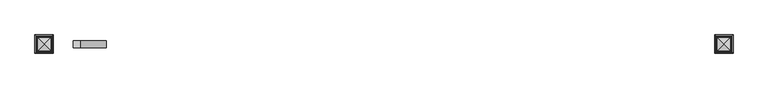
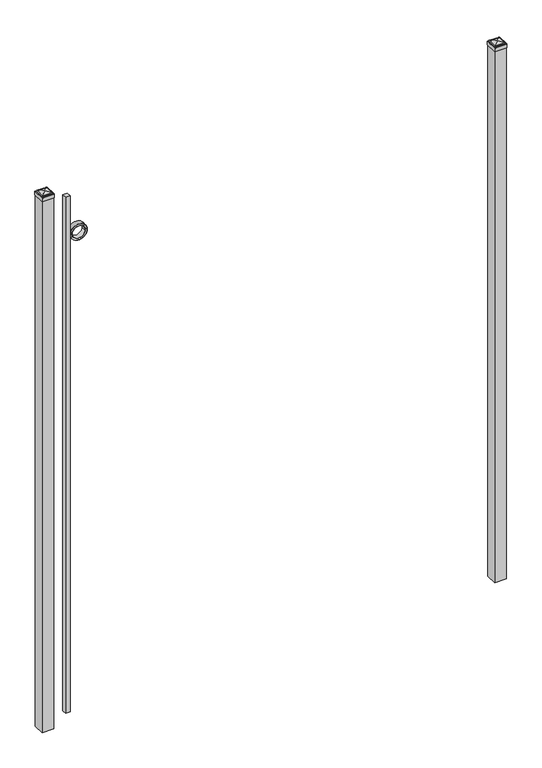
"""IFC4 building model written with IfcOpenShell, lengths in millimetres: railing geometry."""

from ifc_helpers import new_model, si_unit, point, frame, frame_2d, origin, origin_with_axes, place, context, project, spatial, polyline, circle_curve, ellipse_curve, trimmed, segment, composite_curve, outline, extrude, source, transform, mapped, element, save
from ifc_brep_helpers import plane_surface, cylinder_surface, advanced_brep


def railing_e635cd12(model_context):
    return source(origin(), model_context, "Body", "SolidModel", [
        extrude(outline(polyline([(-23766.6899936, 4285.619541), (-23741.2899936, 4285.619541), (-23741.2899936, 4260.219541), (-23766.6899936, 4260.219541), (-23766.6899936, 4285.619541)])), frame((0.0, 0.0, 50.8), z_axis=(0.0, 0.0, 1.0), x_axis=(1.0, 0.0, 0.0)), (0.0, 0.0, 1.0), 2937.6579232),
        extrude(outline(composite_curve([segment(trimmed(circle_curve(frame_2d((2766.1853669, -23695.1942595)), 45.6988591), [point((2766.1853669, -23649.4954004))], [point((2766.1853669, -23740.8931186))], False, "CARTESIAN"), True, "CONTINUOUS"), segment(trimmed(circle_curve(frame_2d((2766.1853669, -23695.1942595)), 45.6988591), [point((2766.1853669, -23740.8931186))], [point((2766.1853669, -23649.4954004))], False, "CARTESIAN"), True, "CONTINUOUS")], self_intersect=False), holes=[composite_curve([segment(trimmed(circle_curve(frame_2d((2766.1853669, -23695.1942595)), 44.101539), [point((2766.1853669, -23651.0927205))], [point((2766.1853669, -23739.2957985))], True, "CARTESIAN"), True, "CONTINUOUS"), segment(trimmed(circle_curve(frame_2d((2766.1853669, -23695.1942595)), 44.101539), [point((2766.1853669, -23739.2957985))], [point((2766.1853669, -23651.0927205))], True, "CARTESIAN"), True, "CONTINUOUS")], self_intersect=False)]), frame((0.0, 4260.219541, 0.0), z_axis=(0.0, 1.0, 0.0), x_axis=(0.0, 0.0, 1.0)), (0.0, 0.0, 1.0), 25.4),
        extrude(outline(composite_curve([segment(trimmed(circle_curve(frame_2d((2766.1853669, -23695.1942595)), 34.6370762), [point((2766.1853669, -23660.5571833))], [point((2766.1853669, -23729.8313357))], False, "CARTESIAN"), True, "CONTINUOUS"), segment(trimmed(circle_curve(frame_2d((2766.1853669, -23695.1942595)), 34.6370762), [point((2766.1853669, -23729.8313357))], [point((2766.1853669, -23660.5571833))], False, "CARTESIAN"), True, "CONTINUOUS")], self_intersect=False), holes=[composite_curve([segment(trimmed(circle_curve(frame_2d((2766.1853669, -23695.1942595)), 33.0443887), [point((2766.1853669, -23662.1498708))], [point((2766.1853669, -23728.2386482))], True, "CARTESIAN"), True, "CONTINUOUS"), segment(trimmed(circle_curve(frame_2d((2766.1853669, -23695.1942595)), 33.0443887), [point((2766.1853669, -23728.2386482))], [point((2766.1853669, -23662.1498708))], True, "CARTESIAN"), True, "CONTINUOUS")], self_intersect=False)]), frame((0.0, 4260.219541, 0.0), z_axis=(0.0, 1.0, 0.0), x_axis=(0.0, 0.0, 1.0)), (0.0, 0.0, 1.0), 25.4),
        extrude(outline(polyline([(-21401.3149936, 4304.669541), (-21401.3149936, 4241.169541), (-21464.8149936, 4241.169541), (-21464.8149936, 4304.669541), (-21401.3149936, 4304.669541)])), origin_with_axes(), (0.0, 0.0, 1.0), 3024.1875),
        advanced_brep(
        [(-21466.4024936, 4306.257041, 3042.44375), (-21466.4024936, 4306.257041, 3024.1875), (-21466.4024936, 4239.582041, 3024.1875), (-21466.4024936, 4239.582041, 3042.44375), (-21464.0212436, 4303.875791, 3044.825), (-21464.0212436, 4241.963291, 3044.825), (-21461.6399936, 4301.494541, 3047.20625), (-21461.6399936, 4301.494541, 3044.825), (-21461.6399936, 4244.344541, 3044.825), (-21461.6399936, 4244.344541, 3047.20625), (-21459.2587436, 4299.113291, 3049.5875), (-21459.2587436, 4246.725791, 3049.5875), (-21433.0649936, 4272.919541, 3055.9375), (-21456.8774936, 4296.732041, 3049.5875), (-21456.8774936, 4249.107041, 3049.5875), (-21399.7274936, 4239.582041, 3024.1875), (-21399.7274936, 4239.582041, 3042.44375), (-21402.1087436, 4241.963291, 3044.825), (-21404.4899936, 4244.344541, 3044.825), (-21404.4899936, 4244.344541, 3047.20625), (-21406.8712436, 4246.725791, 3049.5875), (-21409.2524936, 4249.107041, 3049.5875), (-21399.7274936, 4306.257041, 3024.1875), (-21399.7274936, 4306.257041, 3042.44375), (-21402.1087436, 4303.875791, 3044.825), (-21404.4899936, 4301.494541, 3044.825), (-21404.4899936, 4301.494541, 3047.20625), (-21406.8712436, 4299.113291, 3049.5875), (-21409.2524936, 4296.732041, 3049.5875)],
        [
            (0, 1),
            (1, 2),
            (2, 3),
            (3, 0),
            (4, 0, ellipse_curve(frame((-21464.0212436, 4303.875791, 3042.44375), z_axis=(-0.70710678118655, -0.7071067811865449, 0.0), x_axis=(-0.7071067811865448, 0.7071067811865501, 0.0)), 3.367596, 2.38125)),
            (3, 5, ellipse_curve(frame((-21464.0212436, 4241.963291, 3042.44375), z_axis=(-0.7071067811865449, 0.70710678118655, 0.0), x_axis=(0.7071067811865499, 0.707106781186545, 0.0)), 3.367596, 2.38125)),
            (5, 4),
            (6, 7),
            (7, 8),
            (8, 9),
            (9, 6),
            (10, 6, ellipse_curve(frame((-21459.2587436, 4299.113291, 3047.20625), z_axis=(-0.70710678118655, -0.7071067811865449, 0.0), x_axis=(-0.7071067811865448, 0.7071067811865501, 0.0)), 3.367596, 2.38125)),
            (9, 11, ellipse_curve(frame((-21459.2587436, 4246.725791, 3047.20625), z_axis=(-0.7071067811865449, 0.70710678118655, 0.0), x_axis=(0.7071067811865499, 0.707106781186545, 0.0)), 3.367596, 2.38125)),
            (11, 10),
            (12, 13, ellipse_curve(frame((-21433.0649936, 4272.919541, 3008.1140625), z_axis=(-0.70710678118655, -0.7071067811865449, 0.0), x_axis=(-0.7071067811865448, 0.7071067811865501, 0.0)), 67.6325539, 47.8234375)),
            (13, 14),
            (14, 12, ellipse_curve(frame((-21433.0649936, 4272.919541, 3008.1140625), z_axis=(-0.7071067811865449, 0.70710678118655, 0.0), x_axis=(0.7071067811865499, 0.707106781186545, 0.0)), 67.6325539, 47.8234375)),
            (2, 15),
            (15, 16),
            (16, 3),
            (16, 17, ellipse_curve(frame((-21402.1087436, 4241.963291, 3042.44375), z_axis=(-0.70710678118655, -0.707106781186545, 0.0), x_axis=(-0.707106781186545, 0.70710678118655, 0.0)), 3.367596, 2.38125)),
            (17, 5),
            (8, 18),
            (18, 19),
            (19, 9),
            (19, 20, ellipse_curve(frame((-21406.8712436, 4246.725791, 3047.20625), z_axis=(-0.70710678118655, -0.707106781186545, 0.0), x_axis=(-0.707106781186545, 0.70710678118655, 0.0)), 3.367596, 2.38125)),
            (20, 11),
            (14, 21),
            (21, 12, ellipse_curve(frame((-21433.0649936, 4272.919541, 3008.1140625), z_axis=(-0.70710678118655, -0.707106781186545, 0.0), x_axis=(-0.707106781186545, 0.70710678118655, 0.0)), 67.6325539, 47.8234375)),
            (15, 22),
            (22, 23),
            (23, 16),
            (23, 24, ellipse_curve(frame((-21402.1087436, 4303.875791, 3042.44375), z_axis=(0.707106781186545, -0.7071067811865499, 0.0), x_axis=(-0.7071067811865497, -0.7071067811865452, 0.0)), 3.367596, 2.38125)),
            (24, 17),
            (18, 25),
            (25, 26),
            (26, 19),
            (26, 27, ellipse_curve(frame((-21406.8712436, 4299.113291, 3047.20625), z_axis=(0.707106781186545, -0.7071067811865499, 0.0), x_axis=(-0.7071067811865497, -0.7071067811865452, 0.0)), 3.367596, 2.38125)),
            (27, 20),
            (21, 28),
            (28, 12, ellipse_curve(frame((-21433.0649936, 4272.919541, 3008.1140625), z_axis=(0.707106781186545, -0.7071067811865499, 0.0), x_axis=(-0.7071067811865497, -0.7071067811865452, 0.0)), 67.6325539, 47.8234375)),
            (22, 1),
            (0, 23),
            (4, 24),
            (7, 25),
            (6, 26),
            (10, 27),
            (13, 28),
        ],
        [
            plane_surface(frame((-21466.4024936, 4306.257041, 3024.1875), z_axis=(-1.0, 0.0, 0.0), x_axis=(0.0, -1.0, 0.0))),
            cylinder_surface(frame((-21464.0212436, 4304.669541, 3042.44375), z_axis=(0.0, 1.0, 0.0), x_axis=(1.0, 0.0, 0.0)), 2.38125),
            plane_surface(frame((-21461.6399936, 4301.494541, 3044.825), z_axis=(-1.0, 0.0, 0.0), x_axis=(0.0, -1.0, 0.0))),
            cylinder_surface(frame((-21459.2587436, 4304.669541, 3047.20625), z_axis=(0.0, 1.0, 0.0), x_axis=(1.0, 0.0, 0.0)), 2.38125),
            cylinder_surface(frame((-21433.0649936, 4304.669541, 3008.1140625), z_axis=(0.0, 1.0, 0.0), x_axis=(1.0, 0.0, 0.0)), 47.8234375),
            plane_surface(frame((-21466.4024936, 4239.582041, 3024.1875), z_axis=(0.0, -1.0, 0.0), x_axis=(1.0, 0.0, 0.0))),
            cylinder_surface(frame((-21464.8149936, 4241.963291, 3042.44375), z_axis=(-1.0, 0.0, 0.0), x_axis=(0.0, 1.0, 0.0)), 2.38125),
            plane_surface(frame((-21461.6399936, 4244.344541, 3044.825), z_axis=(0.0, -1.0, 0.0), x_axis=(1.0, 0.0, 0.0))),
            cylinder_surface(frame((-21464.8149936, 4246.725791, 3047.20625), z_axis=(-1.0, 0.0, 0.0), x_axis=(0.0, 1.0, 0.0)), 2.38125),
            cylinder_surface(frame((-21464.8149936, 4272.919541, 3008.1140625), z_axis=(-1.0, 0.0, 0.0), x_axis=(0.0, 1.0, 0.0)), 47.8234375),
            plane_surface(frame((-21399.7274936, 4239.582041, 3024.1875), z_axis=(1.0, 0.0, 0.0), x_axis=(0.0, 1.0, 0.0))),
            cylinder_surface(frame((-21402.1087436, 4241.169541, 3042.44375), z_axis=(0.0, -1.0, 0.0), x_axis=(-1.0, 0.0, 0.0)), 2.38125),
            plane_surface(frame((-21404.4899936, 4244.344541, 3044.825), z_axis=(1.0, 0.0, 0.0), x_axis=(0.0, 1.0, 0.0))),
            cylinder_surface(frame((-21406.8712436, 4241.169541, 3047.20625), z_axis=(0.0, -1.0, 0.0), x_axis=(-1.0, 0.0, 0.0)), 2.38125),
            cylinder_surface(frame((-21433.0649936, 4241.169541, 3008.1140625), z_axis=(0.0, -1.0, 0.0), x_axis=(-1.0, 0.0, 0.0)), 47.8234375),
            plane_surface(frame((-21399.7274936, 4306.257041, 3024.1875), z_axis=(0.0, 1.0, 0.0), x_axis=(-1.0, 0.0, 0.0))),
            cylinder_surface(frame((-21401.3149936, 4303.875791, 3042.44375), z_axis=(1.0, 0.0, 0.0), x_axis=(0.0, -1.0, 0.0)), 2.38125),
            plane_surface(frame((-21402.1087436, 4303.875791, 3044.825), z_axis=(0.0, 0.0, 1.0), x_axis=(-1.0, 0.0, 0.0))),
            plane_surface(frame((-21404.4899936, 4301.494541, 3044.825), z_axis=(0.0, 1.0, 0.0), x_axis=(-1.0, 0.0, 0.0))),
            cylinder_surface(frame((-21401.3149936, 4299.113291, 3047.20625), z_axis=(1.0, 0.0, 0.0), x_axis=(0.0, -1.0, 0.0)), 2.38125),
            plane_surface(frame((-21406.8712436, 4299.113291, 3049.5875), z_axis=(0.0, 0.0, 1.0), x_axis=(-1.0, 0.0, 0.0))),
            cylinder_surface(frame((-21401.3149936, 4272.919541, 3008.1140625), z_axis=(1.0, 0.0, 0.0), x_axis=(0.0, -1.0, 0.0)), 47.8234375),
            plane_surface(frame((-21433.0649936, 4272.919541, 3024.1875), z_axis=(0.0, 0.0, -1.0), x_axis=(-1.0, 0.0, 0.0))),
        ],
        [
            (0, [[1, 2, 3, 4]]),
            (1, [[5, -4, 6, 7]]),
            (2, [[8, 9, 10, 11]]),
            (3, [[12, -11, 13, 14]]),
            (4, [[15, 16, 17]]),
            (5, [[-3, 18, 19, 20]]),
            (6, [[-6, -20, 21, 22]]),
            (7, [[-10, 23, 24, 25]]),
            (8, [[-13, -25, 26, 27]]),
            (9, [[-17, 28, 29]]),
            (10, [[-19, 30, 31, 32]]),
            (11, [[-21, -32, 33, 34]]),
            (12, [[-24, 35, 36, 37]]),
            (13, [[-26, -37, 38, 39]]),
            (14, [[-29, 40, 41]]),
            (15, [[-31, 42, -1, 43]]),
            (16, [[-33, -43, -5, 44]]),
            (17, [[-22, -34, -44, -7], [45, -35, -23, -9]]),
            (18, [[-36, -45, -8, 46]]),
            (19, [[-38, -46, -12, 47]]),
            (20, [[-27, -39, -47, -14], [48, -40, -28, -16]]),
            (21, [[-41, -48, -15]]),
            (22, [[-42, -30, -18, -2]]),
        ],
    ),
        extrude(outline(polyline([(-23839.7149936, 4304.669541), (-23839.7149936, 4241.169541), (-23903.2149936, 4241.169541), (-23903.2149936, 4304.669541), (-23839.7149936, 4304.669541)])), origin_with_axes(), (0.0, 0.0, 1.0), 3024.1875),
        advanced_brep(
        [(-23904.8024936, 4306.257041, 3042.44375), (-23904.8024936, 4306.257041, 3024.1875), (-23904.8024936, 4239.582041, 3024.1875), (-23904.8024936, 4239.582041, 3042.44375), (-23902.4212436, 4303.875791, 3044.825), (-23902.4212436, 4241.963291, 3044.825), (-23900.0399936, 4301.494541, 3047.20625), (-23900.0399936, 4301.494541, 3044.825), (-23900.0399936, 4244.344541, 3044.825), (-23900.0399936, 4244.344541, 3047.20625), (-23897.6587436, 4299.113291, 3049.5875), (-23897.6587436, 4246.725791, 3049.5875), (-23871.4649936, 4272.919541, 3055.9375), (-23895.2774936, 4296.732041, 3049.5875), (-23895.2774936, 4249.107041, 3049.5875), (-23838.1274936, 4239.582041, 3024.1875), (-23838.1274936, 4239.582041, 3042.44375), (-23840.5087436, 4241.963291, 3044.825), (-23842.8899936, 4244.344541, 3044.825), (-23842.8899936, 4244.344541, 3047.20625), (-23845.2712436, 4246.725791, 3049.5875), (-23847.6524936, 4249.107041, 3049.5875), (-23838.1274936, 4306.257041, 3024.1875), (-23838.1274936, 4306.257041, 3042.44375), (-23840.5087436, 4303.875791, 3044.825), (-23842.8899936, 4301.494541, 3044.825), (-23842.8899936, 4301.494541, 3047.20625), (-23845.2712436, 4299.113291, 3049.5875), (-23847.6524936, 4296.732041, 3049.5875)],
        [
            (0, 1),
            (1, 2),
            (2, 3),
            (3, 0),
            (4, 0, ellipse_curve(frame((-23902.4212436, 4303.875791, 3042.44375), z_axis=(-0.70710678118655, -0.7071067811865449, 0.0), x_axis=(-0.7071067811865448, 0.7071067811865501, 0.0)), 3.367596, 2.38125)),
            (3, 5, ellipse_curve(frame((-23902.4212436, 4241.963291, 3042.44375), z_axis=(-0.7071067811865449, 0.70710678118655, 0.0), x_axis=(0.7071067811865499, 0.707106781186545, 0.0)), 3.367596, 2.38125)),
            (5, 4),
            (6, 7),
            (7, 8),
            (8, 9),
            (9, 6),
            (10, 6, ellipse_curve(frame((-23897.6587436, 4299.113291, 3047.20625), z_axis=(-0.70710678118655, -0.7071067811865449, 0.0), x_axis=(-0.7071067811865448, 0.7071067811865501, 0.0)), 3.367596, 2.38125)),
            (9, 11, ellipse_curve(frame((-23897.6587436, 4246.725791, 3047.20625), z_axis=(-0.7071067811865449, 0.70710678118655, 0.0), x_axis=(0.7071067811865499, 0.707106781186545, 0.0)), 3.367596, 2.38125)),
            (11, 10),
            (12, 13, ellipse_curve(frame((-23871.4649936, 4272.919541, 3008.1140625), z_axis=(-0.70710678118655, -0.7071067811865449, 0.0), x_axis=(-0.7071067811865448, 0.7071067811865501, 0.0)), 67.6325539, 47.8234375)),
            (13, 14),
            (14, 12, ellipse_curve(frame((-23871.4649936, 4272.919541, 3008.1140625), z_axis=(-0.7071067811865449, 0.70710678118655, 0.0), x_axis=(0.7071067811865499, 0.707106781186545, 0.0)), 67.6325539, 47.8234375)),
            (2, 15),
            (15, 16),
            (16, 3),
            (16, 17, ellipse_curve(frame((-23840.5087436, 4241.963291, 3042.44375), z_axis=(-0.70710678118655, -0.707106781186545, 0.0), x_axis=(-0.707106781186545, 0.70710678118655, 0.0)), 3.367596, 2.38125)),
            (17, 5),
            (8, 18),
            (18, 19),
            (19, 9),
            (19, 20, ellipse_curve(frame((-23845.2712436, 4246.725791, 3047.20625), z_axis=(-0.70710678118655, -0.707106781186545, 0.0), x_axis=(-0.707106781186545, 0.70710678118655, 0.0)), 3.367596, 2.38125)),
            (20, 11),
            (14, 21),
            (21, 12, ellipse_curve(frame((-23871.4649936, 4272.919541, 3008.1140625), z_axis=(-0.70710678118655, -0.707106781186545, 0.0), x_axis=(-0.707106781186545, 0.70710678118655, 0.0)), 67.6325539, 47.8234375)),
            (15, 22),
            (22, 23),
            (23, 16),
            (23, 24, ellipse_curve(frame((-23840.5087436, 4303.875791, 3042.44375), z_axis=(0.707106781186545, -0.7071067811865499, 0.0), x_axis=(-0.7071067811865497, -0.7071067811865452, 0.0)), 3.367596, 2.38125)),
            (24, 17),
            (18, 25),
            (25, 26),
            (26, 19),
            (26, 27, ellipse_curve(frame((-23845.2712436, 4299.113291, 3047.20625), z_axis=(0.707106781186545, -0.7071067811865499, 0.0), x_axis=(-0.7071067811865497, -0.7071067811865452, 0.0)), 3.367596, 2.38125)),
            (27, 20),
            (21, 28),
            (28, 12, ellipse_curve(frame((-23871.4649936, 4272.919541, 3008.1140625), z_axis=(0.707106781186545, -0.7071067811865499, 0.0), x_axis=(-0.7071067811865497, -0.7071067811865452, 0.0)), 67.6325539, 47.8234375)),
            (22, 1),
            (0, 23),
            (4, 24),
            (7, 25),
            (6, 26),
            (10, 27),
            (13, 28),
        ],
        [
            plane_surface(frame((-23904.8024936, 4306.257041, 3024.1875), z_axis=(-1.0, 0.0, 0.0), x_axis=(0.0, -1.0, 0.0))),
            cylinder_surface(frame((-23902.4212436, 4304.669541, 3042.44375), z_axis=(0.0, 1.0, 0.0), x_axis=(1.0, 0.0, 0.0)), 2.38125),
            plane_surface(frame((-23900.0399936, 4301.494541, 3044.825), z_axis=(-1.0, 0.0, 0.0), x_axis=(0.0, -1.0, 0.0))),
            cylinder_surface(frame((-23897.6587436, 4304.669541, 3047.20625), z_axis=(0.0, 1.0, 0.0), x_axis=(1.0, 0.0, 0.0)), 2.38125),
            cylinder_surface(frame((-23871.4649936, 4304.669541, 3008.1140625), z_axis=(0.0, 1.0, 0.0), x_axis=(1.0, 0.0, 0.0)), 47.8234375),
            plane_surface(frame((-23904.8024936, 4239.582041, 3024.1875), z_axis=(0.0, -1.0, 0.0), x_axis=(1.0, 0.0, 0.0))),
            cylinder_surface(frame((-23903.2149936, 4241.963291, 3042.44375), z_axis=(-1.0, 0.0, 0.0), x_axis=(0.0, 1.0, 0.0)), 2.38125),
            plane_surface(frame((-23900.0399936, 4244.344541, 3044.825), z_axis=(0.0, -1.0, 0.0), x_axis=(1.0, 0.0, 0.0))),
            cylinder_surface(frame((-23903.2149936, 4246.725791, 3047.20625), z_axis=(-1.0, 0.0, 0.0), x_axis=(0.0, 1.0, 0.0)), 2.38125),
            cylinder_surface(frame((-23903.2149936, 4272.919541, 3008.1140625), z_axis=(-1.0, 0.0, 0.0), x_axis=(0.0, 1.0, 0.0)), 47.8234375),
            plane_surface(frame((-23838.1274936, 4239.582041, 3024.1875), z_axis=(1.0, 0.0, 0.0), x_axis=(0.0, 1.0, 0.0))),
            cylinder_surface(frame((-23840.5087436, 4241.169541, 3042.44375), z_axis=(0.0, -1.0, 0.0), x_axis=(-1.0, 0.0, 0.0)), 2.38125),
            plane_surface(frame((-23842.8899936, 4244.344541, 3044.825), z_axis=(1.0, 0.0, 0.0), x_axis=(0.0, 1.0, 0.0))),
            cylinder_surface(frame((-23845.2712436, 4241.169541, 3047.20625), z_axis=(0.0, -1.0, 0.0), x_axis=(-1.0, 0.0, 0.0)), 2.38125),
            cylinder_surface(frame((-23871.4649936, 4241.169541, 3008.1140625), z_axis=(0.0, -1.0, 0.0), x_axis=(-1.0, 0.0, 0.0)), 47.8234375),
            plane_surface(frame((-23838.1274936, 4306.257041, 3024.1875), z_axis=(0.0, 1.0, 0.0), x_axis=(-1.0, 0.0, 0.0))),
            cylinder_surface(frame((-23839.7149936, 4303.875791, 3042.44375), z_axis=(1.0, 0.0, 0.0), x_axis=(0.0, -1.0, 0.0)), 2.38125),
            plane_surface(frame((-23840.5087436, 4303.875791, 3044.825), z_axis=(0.0, 0.0, 1.0), x_axis=(-1.0, 0.0, 0.0))),
            plane_surface(frame((-23842.8899936, 4301.494541, 3044.825), z_axis=(0.0, 1.0, 0.0), x_axis=(-1.0, 0.0, 0.0))),
            cylinder_surface(frame((-23839.7149936, 4299.113291, 3047.20625), z_axis=(1.0, 0.0, 0.0), x_axis=(0.0, -1.0, 0.0)), 2.38125),
            plane_surface(frame((-23845.2712436, 4299.113291, 3049.5875), z_axis=(0.0, 0.0, 1.0), x_axis=(-1.0, 0.0, 0.0))),
            cylinder_surface(frame((-23839.7149936, 4272.919541, 3008.1140625), z_axis=(1.0, 0.0, 0.0), x_axis=(0.0, -1.0, 0.0)), 47.8234375),
            plane_surface(frame((-23871.4649936, 4272.919541, 3024.1875), z_axis=(0.0, 0.0, -1.0), x_axis=(-1.0, 0.0, 0.0))),
        ],
        [
            (0, [[1, 2, 3, 4]]),
            (1, [[5, -4, 6, 7]]),
            (2, [[8, 9, 10, 11]]),
            (3, [[12, -11, 13, 14]]),
            (4, [[15, 16, 17]]),
            (5, [[-3, 18, 19, 20]]),
            (6, [[-6, -20, 21, 22]]),
            (7, [[-10, 23, 24, 25]]),
            (8, [[-13, -25, 26, 27]]),
            (9, [[-17, 28, 29]]),
            (10, [[-19, 30, 31, 32]]),
            (11, [[-21, -32, 33, 34]]),
            (12, [[-24, 35, 36, 37]]),
            (13, [[-26, -37, 38, 39]]),
            (14, [[-29, 40, 41]]),
            (15, [[-31, 42, -1, 43]]),
            (16, [[-33, -43, -5, 44]]),
            (17, [[-22, -34, -44, -7], [45, -35, -23, -9]]),
            (18, [[-36, -45, -8, 46]]),
            (19, [[-38, -46, -12, 47]]),
            (20, [[-27, -39, -47, -14], [48, -40, -28, -16]]),
            (21, [[-41, -48, -15]]),
            (22, [[-42, -30, -18, -2]]),
        ],
    ),
    ])


if __name__ == "__main__":
    model = new_model("IFC4")
    model_context = context("Model", 3, world=origin())
    ifc_project = project(units=[si_unit("LENGTHUNIT", "METRE", prefix="MILLI")], contexts=[model_context])
    site = spatial("IfcSite", under=ifc_project)
    building = spatial("IfcBuilding", under=site)
    placement = place(None, origin())
    railing_shape = railing_e635cd12(model_context)
    element("IfcRailing", 1, at=placement, inside=building, context=model_context, shape_type="MappedRepresentation", body=[
        mapped(railing_shape, transform((0.0, 0.0, 0.0), x_axis=(1.0, 0.0, 0.0), y_axis=(0.0, 1.0, 0.0), z_axis=(0.0, 0.0, 1.0))),
    ])
    save(model, "model.ifc")
